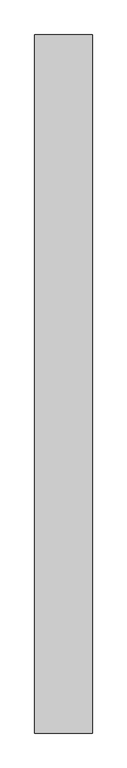
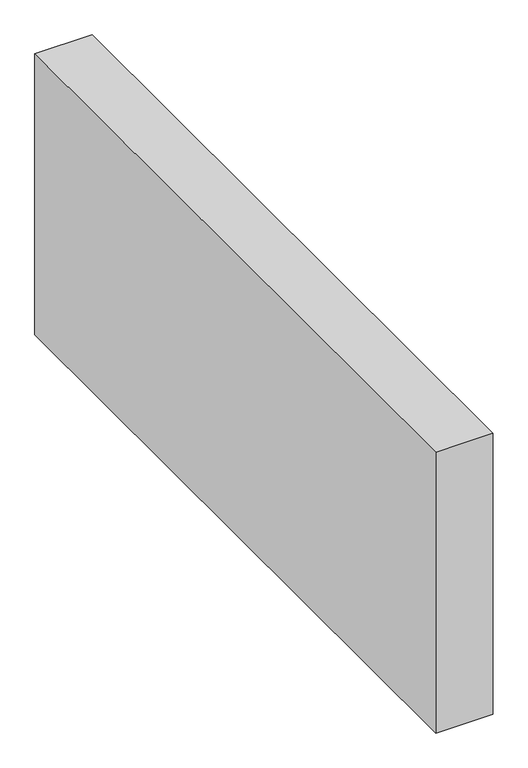
"""IFC4 building model written with IfcOpenShell, lengths in millimetres: proxy geometry."""

import ifcopenshell
import ifcopenshell.guid

model = None  # the IFC model being written
_history = None  # IfcOwnerHistory: only IFC2X3 demands one
_inside = {}  # id of a spatial element -> (the spatial element, [elements in it])
_under = {}  # id of a project, library or spatial element -> (it, [spatial elements below it])
_declared = {}  # id of a project -> (the project, [libraries it declares])
_typed = {}  # id of a type object -> (the type object, [elements of that type])
_made_of = {}  # id of a material, layer set ... -> (it, [elements and type objects made of it])


def new_model(schema):
    """Start an empty IFC model of exactly this schema.

    Asked for "IFC4X3", IfcOpenShell would pick the latest addendum, in which some entities
    have other attributes; the version numbers below select the first issue.
    IFC2X3 requires an IfcOwnerHistory on every rooted entity: one is made here for all.
    """
    global model, _history
    if schema == "IFC4X3":
        model = ifcopenshell.file(schema_version=(4, 3, 0, 0))
    else:
        model = ifcopenshell.file(schema=schema)
    _inside.clear()
    _under.clear()
    _declared.clear()
    _typed.clear()
    _made_of.clear()
    _history = None
    if model.schema == "IFC2X3":
        org = make("IfcOrganization", Name="unknown")
        user = make(
            "IfcPersonAndOrganization",
            ThePerson=make("IfcPerson", FamilyName="unknown"),
            TheOrganization=org,
        )
        app = make(
            "IfcApplication",
            ApplicationDeveloper=org,
            Version="unknown",
            ApplicationFullName="unknown",
            ApplicationIdentifier="unknown",
        )
        _history = make(
            "IfcOwnerHistory",
            OwningUser=user,
            OwningApplication=app,
            ChangeAction="ADDED",
            CreationDate=0,
        )
    return model


def make(cls, **values):
    """One entity of the class cls with the attributes given. An attribute that is None is left unset."""
    return model.create_entity(
        cls, **{name: value for name, value in values.items() if value is not None}
    )


def rooted(cls, **values):
    """An entity with a GlobalId (a new one), such as an element, a storey or a relation."""
    return make(cls, GlobalId=ifcopenshell.guid.new(), OwnerHistory=_history, **values)


def si_unit(unit_type, name, prefix=None):
    """IfcSIUnit, for example si_unit("LENGTHUNIT", "METRE", prefix="MILLI")."""
    return make("IfcSIUnit", UnitType=unit_type, Prefix=prefix, Name=name)


def assignment(units):
    """IfcUnitAssignment: the units of a project."""
    return None if units is None else make("IfcUnitAssignment", Units=units)


def point(xyz):
    """IfcCartesianPoint."""
    return None if xyz is None else make("IfcCartesianPoint", Coordinates=xyz)


def direction(xyz):
    """IfcDirection."""
    return None if xyz is None else make("IfcDirection", DirectionRatios=xyz)


def frame(location, z_axis=None, x_axis=None):
    """IfcAxis2Placement3D, a coordinate frame: its origin and axes. An axis left out is left unset."""
    return make(
        "IfcAxis2Placement3D",
        Location=point(location),
        Axis=direction(z_axis),
        RefDirection=direction(x_axis),
    )


def origin():
    """The frame at (0, 0, 0) with its axes left unset."""
    return frame((0.0, 0.0, 0.0))


def origin_with_axes():
    """The frame at (0, 0, 0) with the z axis (0, 0, 1) and the x axis (1, 0, 0) written out."""
    return frame((0.0, 0.0, 0.0), z_axis=(0.0, 0.0, 1.0), x_axis=(1.0, 0.0, 0.0))


def place(relative_to, where):
    """IfcLocalPlacement: puts the frame where relative to a parent placement (None: the world)."""
    return make(
        "IfcLocalPlacement", PlacementRelTo=relative_to, RelativePlacement=where
    )


def context(
    kind, dimensions, precision=None, world=None, true_north=None, identifier=None
):
    """IfcGeometricRepresentationContext, for example the 3D "Model" context."""
    return make(
        "IfcGeometricRepresentationContext",
        ContextIdentifier=identifier,
        ContextType=kind,
        CoordinateSpaceDimension=dimensions,
        Precision=precision,
        WorldCoordinateSystem=world,
        TrueNorth=true_north,
    )


def project(units=None, contexts=None):
    """IfcProject with its units and contexts."""
    return rooted(
        "IfcProject",
        Name="project",
        RepresentationContexts=contexts,
        UnitsInContext=assignment(units),
    )


def spatial(cls, under=None, at=None, **own):
    """A site, building, storey or space (cls), placed at a placement, below another one or the project."""
    s = rooted(cls, ObjectPlacement=at, **own)
    if under is not None:
        _under.setdefault(under.id(), (under, []))[1].append(s)
    return s


def polyline(points):
    """IfcPolyline through the points."""
    return make("IfcPolyline", Points=[point(p) for p in points])


def outline(outer, holes=None, kind="AREA"):
    """IfcArbitraryClosedProfileDef: a profile drawn as a closed curve; with holes, ...WithVoids."""
    if holes is None:
        return make("IfcArbitraryClosedProfileDef", ProfileType=kind, OuterCurve=outer)
    return make(
        "IfcArbitraryProfileDefWithVoids",
        ProfileType=kind,
        OuterCurve=outer,
        InnerCurves=holes,
    )


def extrude(swept, where, along, depth):
    """IfcExtrudedAreaSolid: the profile swept, set in the frame where, extruded along a direction by depth."""
    return make(
        "IfcExtrudedAreaSolid",
        SweptArea=swept,
        Position=where,
        ExtrudedDirection=direction(along),
        Depth=depth,
    )


def shape(context_of_items, identifier, shape_type, items):
    """IfcShapeRepresentation: the items that make up one representation, for example the "Body"."""
    return make(
        "IfcShapeRepresentation",
        ContextOfItems=context_of_items,
        RepresentationIdentifier=identifier,
        RepresentationType=shape_type,
        Items=items,
    )


def source(mapping_origin, context_of_items, identifier, shape_type, items):
    """IfcRepresentationMap: a shape defined once, which mapped items show again and again."""
    return make(
        "IfcRepresentationMap",
        MappingOrigin=mapping_origin,
        MappedRepresentation=shape(context_of_items, identifier, shape_type, items),
    )


def transform(
    local_origin,
    x_axis=None,
    y_axis=None,
    z_axis=None,
    scale=None,
    scale2=None,
    scale3=None,
    uniform=True,
):
    """IfcCartesianTransformationOperator3D, or its non-uniform kind. x_axis, y_axis, z_axis: its Axis1, 2, 3."""
    if uniform:
        return make(
            "IfcCartesianTransformationOperator3D",
            Axis1=direction(x_axis),
            Axis2=direction(y_axis),
            LocalOrigin=point(local_origin),
            Scale=scale,
            Axis3=direction(z_axis),
        )
    return make(
        "IfcCartesianTransformationOperator3DnonUniform",
        Axis1=direction(x_axis),
        Axis2=direction(y_axis),
        LocalOrigin=point(local_origin),
        Scale=scale,
        Axis3=direction(z_axis),
        Scale2=scale2,
        Scale3=scale3,
    )


def mapped(mapping_source, mapping_target):
    """IfcMappedItem: shows the shape of a source again, moved by a transform."""
    return make(
        "IfcMappedItem", MappingSource=mapping_source, MappingTarget=mapping_target
    )


def made_of(thing, what):
    """Note that an element or type object is made of a material, layer set ...; save() writes the relation."""
    if what is not None:
        _made_of.setdefault(what.id(), (what, []))[1].append(thing)
    return thing


def element(
    cls,
    number,
    at=None,
    inside=None,
    cuts=None,
    type_object=None,
    material=None,
    context=None,
    identifier="Body",
    shape_type=None,
    held_by="IfcProductDefinitionShape",
    body=None,
    shapes=None,
    **own,
):
    """One element of the class cls, such as IfcWall. Its Tag is "e" and its number.

    at: its placement. inside: the storey or other place that contains it. cuts: it is an
    opening in that element (IfcRelVoidsElement). A single representation is given by context,
    identifier, shape_type and body (its items); several are given by shapes. held_by: the class
    of the entity that holds the representations. save() writes the other relations.
    """
    e = rooted(cls, Tag="e%d" % number, ObjectPlacement=at, **own)
    if body is not None:
        shapes = [shape(context, identifier, shape_type, body)]
    if shapes is not None:
        e.Representation = make(held_by, Representations=shapes)
    if inside is not None:
        _inside.setdefault(inside.id(), (inside, []))[1].append(e)
    if cuts is not None:
        rooted(
            "IfcRelVoidsElement", RelatingBuildingElement=cuts, RelatedOpeningElement=e
        )
    if type_object is not None:
        _typed.setdefault(type_object.id(), (type_object, []))[1].append(e)
    return made_of(e, material)


def aggregate(whole, parts):
    """IfcRelAggregates: a whole, such as a stair, and the parts it consists of."""
    return rooted("IfcRelAggregates", RelatingObject=whole, RelatedObjects=parts)


def save(model, path):
    """Write the relations noted so far, then the file.

    IfcRelAggregates (storeys below a building ...), IfcRelContainedInSpatialStructure (elements
    in a storey), IfcRelDefinesByType, IfcRelAssociatesMaterial and IfcRelDeclares: one each for
    every whole, place, type object, material and project.
    """
    for whole, parts in _under.values():
        aggregate(whole, parts)
    for where, things in _inside.values():
        rooted(
            "IfcRelContainedInSpatialStructure",
            RelatedElements=things,
            RelatingStructure=where,
        )
    for kind, things in _typed.values():
        rooted("IfcRelDefinesByType", RelatedObjects=things, RelatingType=kind)
    for what, things in _made_of.values():
        rooted("IfcRelAssociatesMaterial", RelatedObjects=things, RelatingMaterial=what)
    for by, libraries in _declared.values():
        rooted("IfcRelDeclares", RelatingContext=by, RelatedDefinitions=libraries)
    model.write(path)


def generic_models_62b876fd(model_context):
    return source(origin(), model_context, "Body", "SweptSolid", [
        extrude(outline(polyline([(150.0, 1818.315987), (150.0, 0.0), (0.0, 0.0), (0.0, 1818.315987), (150.0, 1818.315987)])), origin_with_axes(), (0.0, 0.0, 1.0), 776.6553396),
    ])


if __name__ == "__main__":
    model = new_model("IFC4")
    model_context = context("Model", 3, world=origin())
    ifc_project = project(units=[si_unit("LENGTHUNIT", "METRE", prefix="MILLI")], contexts=[model_context])
    site = spatial("IfcSite", under=ifc_project)
    building = spatial("IfcBuilding", under=site)
    placement = place(None, origin())
    generic_models_shape = generic_models_62b876fd(model_context)
    element("IfcBuildingElementProxy", 1, Name="Generic Models", at=placement, inside=building, context=model_context, shape_type="MappedRepresentation", body=[
        mapped(generic_models_shape, transform((0.0, 0.0, 0.0), x_axis=(1.0, 0.0, 0.0), y_axis=(0.0, 1.0, 0.0), z_axis=(0.0, 0.0, 1.0))),
    ])
    save(model, "model.ifc")
